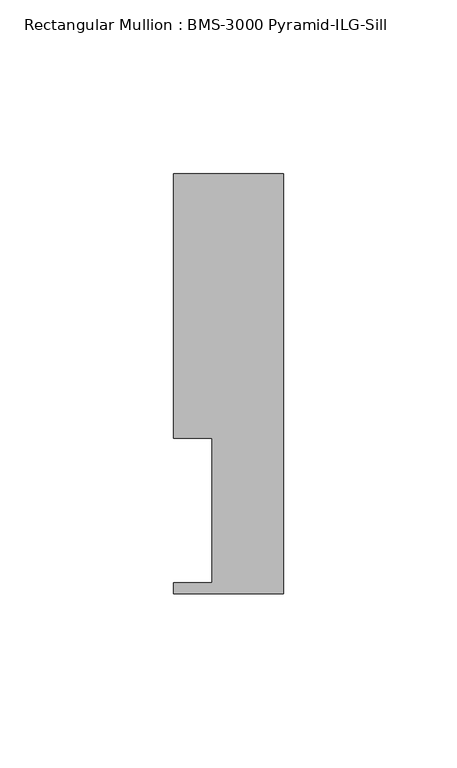
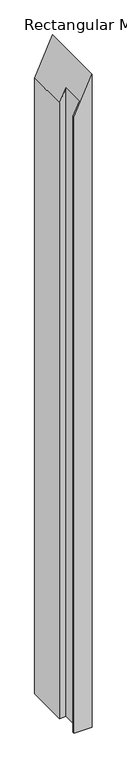
"""IFC4 building model written with IfcOpenShell, lengths in millimetres: member geometry, Rectangular Mullion : BMS-3000 Pyramid-ILG-Sill."""

from ifc_helpers import new_model, si_unit, origin, place, context, project, spatial, faceted_brep, source, transform, mapped, element, save


def rectangular_mullion_bms_3000_pyramid_ilg_sill_758e56cb(model_context):
    return source(origin(), model_context, "Body", "Brep", [
        faceted_brep([(0.0, 9.3678375, -1219.2), (-31.75, 9.3678375, -1219.2), (-31.75, 12.5428375, -1219.2), (-20.6248, 12.5428375, -1219.2), (-20.6248, 54.1734375, -1219.2), (-31.75, 54.1734375, -1219.2), (-31.75, 130.3734375, -1219.2), (0.0, 130.3734375, -1219.2), (-31.75, 130.3734375, -69.4976086), (0.0, 130.3734375, 0.0), (-31.75, 54.1734375, -69.4976086), (-20.6248, 54.1734375, -45.1456466), (-20.6248, 12.5428375, -45.1456466), (-31.75, 12.5428375, -69.4976086), (-31.75, 9.3678375, -69.4976086), (0.0, 9.3678375, 0.0)], [[[0, 1, 2, 3, 4, 5, 6, 7]], [[8, 9, 7, 6]], [[10, 8, 6, 5]], [[11, 10, 5, 4]], [[12, 11, 4, 3]], [[13, 12, 3, 2]], [[14, 13, 2, 1]], [[15, 14, 1, 0]], [[9, 15, 0, 7]], [[15, 9, 8, 10, 11, 12, 13, 14]]]),
    ])


if __name__ == "__main__":
    model = new_model("IFC4")
    model_context = context("Model", 3, world=origin())
    ifc_project = project(units=[si_unit("LENGTHUNIT", "METRE", prefix="MILLI")], contexts=[model_context])
    site = spatial("IfcSite", under=ifc_project)
    building = spatial("IfcBuilding", under=site)
    placement = place(None, origin())
    rectangular_mullion_bms_3000_pyramid_ilg_sill_shape = rectangular_mullion_bms_3000_pyramid_ilg_sill_758e56cb(model_context)
    element("IfcMember", 1, ObjectType="Rectangular Mullion : BMS-3000 Pyramid-ILG-Sill", at=placement, inside=building, context=model_context, shape_type="MappedRepresentation", body=[
        mapped(rectangular_mullion_bms_3000_pyramid_ilg_sill_shape, transform((0.0, 0.0, 0.0), x_axis=(1.0, 0.0, 0.0), y_axis=(0.0, 1.0, 0.0), z_axis=(0.0, 0.0, 1.0))),
    ])
    save(model, "model.ifc")
